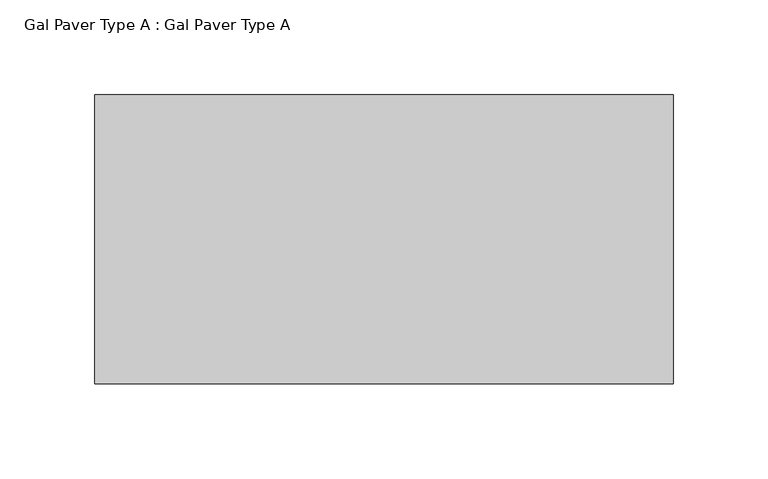
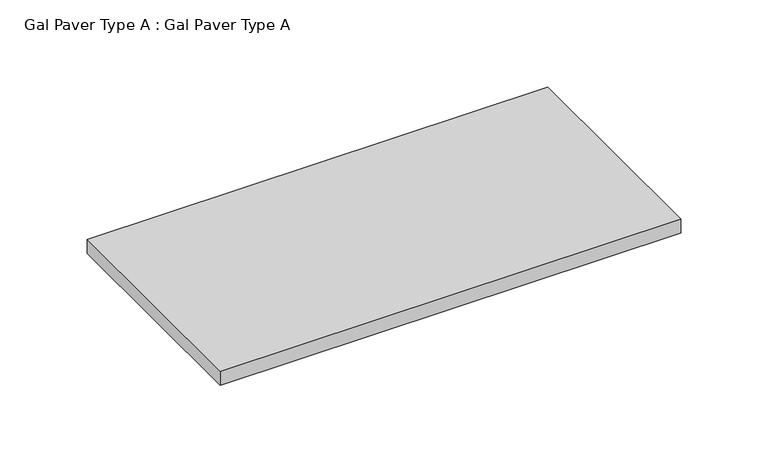
"""IFC4 building model written with IfcOpenShell, lengths in millimetres: proxy geometry, Gal Paver Type A : Gal Paver Type A."""

from ifc_helpers import new_model, si_unit, origin, origin_with_axes, place, context, project, spatial, polyline, outline, extrude, source, transform, mapped, element, save


def gal_paver_type_a_gal_paver_type_a_a285930d(model_context):
    return source(origin(), model_context, "Body", "SweptSolid", [
        extrude(outline(polyline([(-152.4, 76.2), (152.4, 76.2), (152.4, -76.2), (-152.4, -76.2), (-152.4, 76.2)])), origin_with_axes(), (0.0, 0.0, 1.0), 9.8704236),
    ])


if __name__ == "__main__":
    model = new_model("IFC4")
    model_context = context("Model", 3, world=origin())
    ifc_project = project(units=[si_unit("LENGTHUNIT", "METRE", prefix="MILLI")], contexts=[model_context])
    site = spatial("IfcSite", under=ifc_project)
    building = spatial("IfcBuilding", under=site)
    placement = place(None, origin())
    gal_paver_type_a_gal_paver_type_a_shape = gal_paver_type_a_gal_paver_type_a_a285930d(model_context)
    element("IfcBuildingElementProxy", 1, Name="Gal Paver Type A : Gal Paver Type A", ObjectType="Gal Paver Type A : Gal Paver Type A", at=placement, inside=building, context=model_context, shape_type="MappedRepresentation", body=[
        mapped(gal_paver_type_a_gal_paver_type_a_shape, transform((0.0, 0.0, 0.0), x_axis=(1.0, 0.0, 0.0), y_axis=(0.0, 1.0, 0.0), z_axis=(0.0, 0.0, 1.0))),
    ])
    save(model, "model.ifc")
